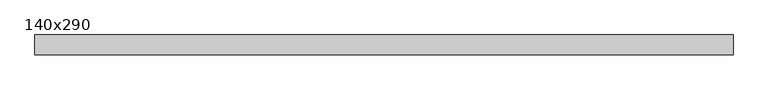
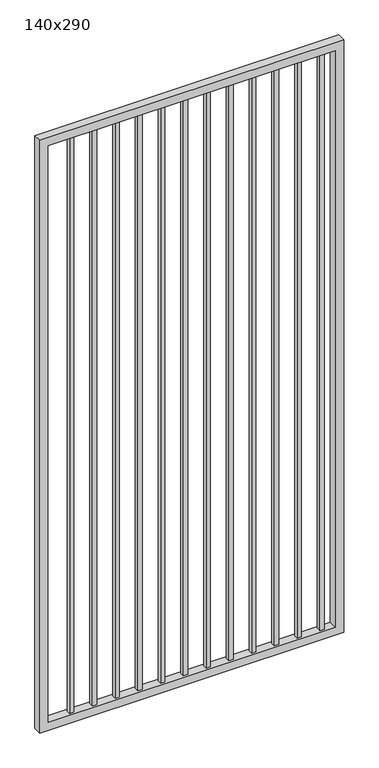
"""IFC4 building model written with IfcOpenShell, lengths in millimetres: proxy geometry, 140x290."""

from ifc_helpers import new_model, si_unit, frame, origin, place, context, project, spatial, polyline, outline, extrude, source, transform, mapped, element, save


def proxy_140x290_a19078d3(model_context):
    return source(origin(), model_context, "Body", "SweptSolid", [
        extrude(outline(polyline([(1304.925, 9.525), (1304.925, -9.525), (1285.875, -9.525), (1285.875, 9.525), (1304.925, 9.525)])), frame((0.0, 0.0, 139.7), z_axis=(0.0, 0.0, 1.0), x_axis=(1.0, 0.0, 0.0)), (0.0, 0.0, 1.0), 2730.0),
        extrude(outline(polyline([(1203.325, 9.525), (1203.325, -9.525), (1184.275, -9.525), (1184.275, 9.525), (1203.325, 9.525)])), frame((0.0, 0.0, 139.7), z_axis=(0.0, 0.0, 1.0), x_axis=(1.0, 0.0, 0.0)), (0.0, 0.0, 1.0), 2730.0),
        extrude(outline(polyline([(1101.725, 9.525), (1101.725, -9.525), (1082.675, -9.525), (1082.675, 9.525), (1101.725, 9.525)])), frame((0.0, 0.0, 139.7), z_axis=(0.0, 0.0, 1.0), x_axis=(1.0, 0.0, 0.0)), (0.0, 0.0, 1.0), 2730.0),
        extrude(outline(polyline([(1000.125, 9.525), (1000.125, -9.525), (981.075, -9.525), (981.075, 9.525), (1000.125, 9.525)])), frame((0.0, 0.0, 139.7), z_axis=(0.0, 0.0, 1.0), x_axis=(1.0, 0.0, 0.0)), (0.0, 0.0, 1.0), 2730.0),
        extrude(outline(polyline([(898.525, 9.525), (898.525, -9.525), (879.475, -9.525), (879.475, 9.525), (898.525, 9.525)])), frame((0.0, 0.0, 139.7), z_axis=(0.0, 0.0, 1.0), x_axis=(1.0, 0.0, 0.0)), (0.0, 0.0, 1.0), 2730.0),
        extrude(outline(polyline([(796.925, 9.525), (796.925, -9.525), (777.875, -9.525), (777.875, 9.525), (796.925, 9.525)])), frame((0.0, 0.0, 139.7), z_axis=(0.0, 0.0, 1.0), x_axis=(1.0, 0.0, 0.0)), (0.0, 0.0, 1.0), 2730.0),
        extrude(outline(polyline([(695.325, 9.525), (695.325, -9.525), (676.275, -9.525), (676.275, 9.525), (695.325, 9.525)])), frame((0.0, 0.0, 139.7), z_axis=(0.0, 0.0, 1.0), x_axis=(1.0, 0.0, 0.0)), (0.0, 0.0, 1.0), 2730.0),
        extrude(outline(polyline([(593.725, 9.525), (593.725, -9.525), (574.675, -9.525), (574.675, 9.525), (593.725, 9.525)])), frame((0.0, 0.0, 139.7), z_axis=(0.0, 0.0, 1.0), x_axis=(1.0, 0.0, 0.0)), (0.0, 0.0, 1.0), 2730.0),
        extrude(outline(polyline([(492.125, 9.525), (492.125, -9.525), (473.075, -9.525), (473.075, 9.525), (492.125, 9.525)])), frame((0.0, 0.0, 139.7), z_axis=(0.0, 0.0, 1.0), x_axis=(1.0, 0.0, 0.0)), (0.0, 0.0, 1.0), 2730.0),
        extrude(outline(polyline([(390.525, 9.525), (390.525, -9.525), (371.475, -9.525), (371.475, 9.525), (390.525, 9.525)])), frame((0.0, 0.0, 139.7), z_axis=(0.0, 0.0, 1.0), x_axis=(1.0, 0.0, 0.0)), (0.0, 0.0, 1.0), 2730.0),
        extrude(outline(polyline([(288.925, 9.525), (288.925, -9.525), (269.875, -9.525), (269.875, 9.525), (288.925, 9.525)])), frame((0.0, 0.0, 139.7), z_axis=(0.0, 0.0, 1.0), x_axis=(1.0, 0.0, 0.0)), (0.0, 0.0, 1.0), 2730.0),
        extrude(outline(polyline([(187.325, 9.525), (187.325, -9.525), (168.275, -9.525), (168.275, 9.525), (187.325, 9.525)])), frame((0.0, 0.0, 139.7), z_axis=(0.0, 0.0, 1.0), x_axis=(1.0, 0.0, 0.0)), (0.0, 0.0, 1.0), 2730.0),
        extrude(outline(polyline([(101.6, 1387.3), (2900.0, 1387.3), (2900.0, 30.0), (101.6, 30.0), (101.6, 1387.3)]), holes=[polyline([(2861.9, 1349.2), (139.7, 1349.2), (139.7, 68.1), (2861.9, 68.1), (2861.9, 1349.2)])]), frame((0.0, -19.05, 0.0), z_axis=(0.0, 1.0, 0.0), x_axis=(0.0, 0.0, 1.0)), (0.0, 0.0, 1.0), 38.1),
    ])


if __name__ == "__main__":
    model = new_model("IFC4")
    model_context = context("Model", 3, world=origin())
    ifc_project = project(units=[si_unit("LENGTHUNIT", "METRE", prefix="MILLI")], contexts=[model_context])
    site = spatial("IfcSite", under=ifc_project)
    building = spatial("IfcBuilding", under=site)
    placement = place(None, origin())
    proxy_140x290_shape = proxy_140x290_a19078d3(model_context)
    element("IfcBuildingElementProxy", 1, Name="140x290", ObjectType="140x290", at=placement, inside=building, context=model_context, shape_type="MappedRepresentation", body=[
        mapped(proxy_140x290_shape, transform((0.0, 0.0, 0.0), x_axis=(1.0, 0.0, 0.0), y_axis=(0.0, 1.0, 0.0), z_axis=(0.0, 0.0, 1.0))),
    ])
    save(model, "model.ifc")
